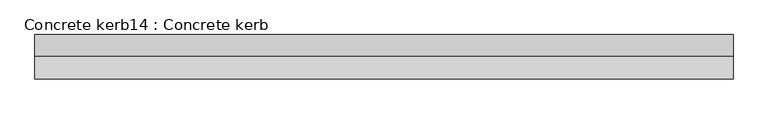
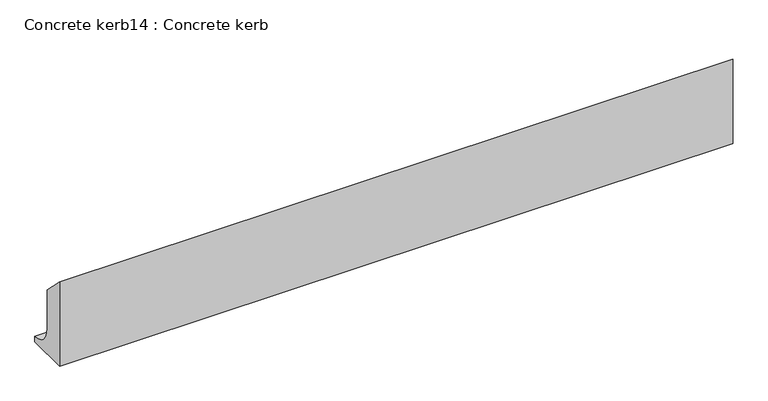
"""IFC4 building model written with IfcOpenShell, lengths in millimetres: proxy geometry, Concrete kerb14 : Concrete kerb."""

from ifc_helpers import new_model, si_unit, point, frame, frame_2d, origin, place, context, project, spatial, polyline, circle_curve, trimmed, segment, composite_curve, outline, extrude, source, transform, mapped, element, save


def concrete_kerb14_concrete_kerb_13be0e5d(model_context):
    return source(origin(), model_context, "Body", "SweptSolid", [
        extrude(outline(composite_curve([segment(polyline([(-27192.7541764, 297.0), (-27115.7541764, 220.0), (-27115.7541764, 75.0)]), True, "CONTINUOUS"), segment(trimmed(circle_curve(frame_2d((-27040.7541764, 75.0)), 75.0), [point((-27115.7541764, 75.0))], [point((-27040.7541764, 0.0))], True, "CARTESIAN"), True, "CONTINUOUS"), segment(polyline([(-27040.7541764, 0.0), (-27040.7541764, -20.0482875), (-27192.7541764, -20.0482875), (-27192.7541764, 297.0)]), True, "CONTINUOUS")], self_intersect=False)), frame((6904.6309284, 0.0, 0.0), z_axis=(1.0, 0.0, 0.0), x_axis=(0.0, 1.0, 0.0)), (0.0, 0.0, 1.0), 2400.0),
    ])


if __name__ == "__main__":
    model = new_model("IFC4")
    model_context = context("Model", 3, world=origin())
    ifc_project = project(units=[si_unit("LENGTHUNIT", "METRE", prefix="MILLI")], contexts=[model_context])
    site = spatial("IfcSite", under=ifc_project)
    building = spatial("IfcBuilding", under=site)
    placement = place(None, origin())
    concrete_kerb14_concrete_kerb_shape = concrete_kerb14_concrete_kerb_13be0e5d(model_context)
    element("IfcBuildingElementProxy", 1, Name="Concrete kerb14 : Concrete kerb", ObjectType="Concrete kerb14 : Concrete kerb", at=placement, inside=building, context=model_context, shape_type="MappedRepresentation", body=[
        mapped(concrete_kerb14_concrete_kerb_shape, transform((0.0, 0.0, 0.0), x_axis=(1.0, 0.0, 0.0), y_axis=(0.0, 1.0, 0.0), z_axis=(0.0, 0.0, 1.0))),
    ])
    save(model, "model.ifc")
